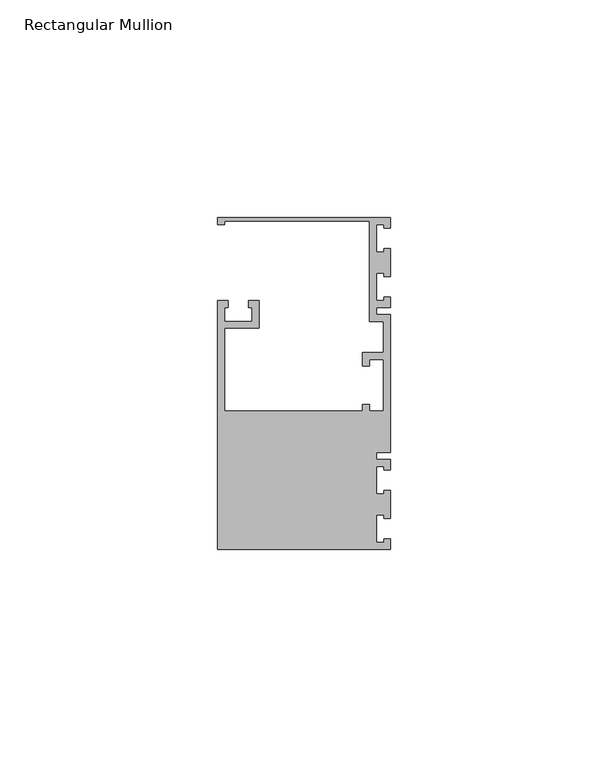
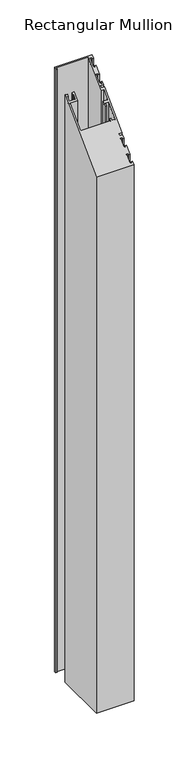
"""IFC4 building model written with IfcOpenShell, lengths in millimetres: member geometry, Rectangular Mullion."""

from ifc_helpers import new_model, si_unit, origin, place, context, project, spatial, faceted_brep, source, transform, mapped, element, save


def rectangular_mullion_a85c468c(model_context):
    return source(origin(), model_context, "Body", "Brep", [
        faceted_brep([(0.0, 38.1, -635.0), (0.0, 35.71875, -635.0), (-1.4999946, 35.71875, -635.0), (-1.4999946, 36.5125, -635.0), (-3.175, 36.5125, -635.0), (-3.175, 30.1625, -635.0), (-1.4999946, 30.1625, -635.0), (-1.4999946, 30.95625, -635.0), (0.0, 30.95625, -635.0), (0.0, 24.60625, -635.0), (-1.4999946, 24.60625, -635.0), (-1.4999946, 25.4, -635.0), (-3.175, 25.4, -635.0), (-3.175, 19.05, -635.0), (-1.4999946, 19.05, -635.0), (-1.4999946, 19.84375, -635.0), (0.0, 19.84375, -635.0), (0.0, 17.4625, -635.0), (-3.175, 17.4625, -635.0), (-3.175, 15.875, -635.0), (0.0, 15.875, -635.0), (0.0, -15.875, -635.0), (-3.175, -15.875, -635.0), (-3.175, -17.4625, -635.0), (0.0, -17.4625, -635.0), (0.0, -19.84375, -635.0), (-1.4999946, -19.84375, -635.0), (-1.4999946, -19.05, -635.0), (-3.175, -19.05, -635.0), (-3.175, -25.4, -635.0), (-1.4999946, -25.4, -635.0), (-1.4999946, -24.60625, -635.0), (0.0, -24.60625, -635.0), (0.0, -30.95625, -635.0), (-1.4999946, -30.95625, -635.0), (-1.4999946, -30.1625, -635.0), (-3.175, -30.1625, -635.0), (-3.175, -36.5125, -635.0), (-1.4999946, -36.5125, -635.0), (-1.4999946, -35.71875, -635.0), (0.0, -35.71875, -635.0), (0.0, -38.1, -635.0), (-39.6875, -38.1, -635.0), (-39.6875, 19.05, -635.0), (-37.30625, 19.05, -635.0), (-37.30625, 17.4625, -635.0), (-38.1, 17.4625, -635.0), (-38.1, 14.2875, -635.0), (-31.75, 14.2875, -635.0), (-31.75, 17.4625, -635.0), (-32.54375, 17.4625, -635.0), (-32.54375, 19.05, -635.0), (-30.1625, 19.05, -635.0), (-30.1625, 12.7, -635.0), (-38.1, 12.7, -635.0), (-38.1, -6.35, -635.0), (-6.35, -6.35, -635.0), (-6.35, -4.7625, -635.0), (-4.7625, -4.7625, -635.0), (-4.7625, -6.35, -635.0), (-1.5875, -6.35, -635.0), (-1.5875, 5.55625, -635.0), (-4.7625, 5.55625, -635.0), (-4.7625, 3.96875, -635.0), (-6.35, 3.96875, -635.0), (-6.35, 7.14375, -635.0), (-1.5875, 7.14375, -635.0), (-1.5875, 14.2875, -635.0), (-4.7625, 14.2875, -635.0), (-4.7625, 37.30625, -635.0), (-38.1, 37.30625, -635.0), (-38.1, 36.5125, -635.0), (-39.6875, 36.5125, -635.0), (-39.6875, 38.1, -635.0), (-39.6875, 38.1, 38.1), (0.0, 38.1, 38.1), (-39.6875, 36.5125, 36.5125), (-38.1, 36.5125, 36.5125), (-38.1, 37.30625, 37.30625), (-4.7625, 37.30625, 37.30625), (-4.7625, 14.2875, 14.2875), (-1.5875, 14.2875, 14.2875), (-1.5875, 7.14375, 7.14375), (-6.35, 7.14375, 7.14375), (-6.35, 3.96875, 3.96875), (-4.7625, 3.96875, 3.96875), (-4.7625, 5.55625, 5.55625), (-1.5875, 5.55625, 5.55625), (-1.5875, -6.35, -6.35), (-4.7625, -6.35, -6.35), (-4.7625, -4.7625, -4.7625), (-6.35, -4.7625, -4.7625), (-6.35, -6.35, -6.35), (-38.1, -6.35, -6.35), (-38.1, 12.7, 12.7), (-30.1625, 12.7, 12.7), (-30.1625, 19.05, 19.05), (-32.54375, 19.05, 19.05), (-32.54375, 17.4625, 17.4625), (-31.75, 17.4625, 17.4625), (-31.75, 14.2875, 14.2875), (-38.1, 14.2875, 14.2875), (-38.1, 17.4625, 17.4625), (-37.30625, 17.4625, 17.4625), (-37.30625, 19.05, 19.05), (-39.6875, 19.05, 19.05), (-39.6875, -38.1, -38.1), (0.0, -38.1, -38.1), (0.0, -35.71875, -35.71875), (-1.4999946, -35.71875, -35.71875), (-1.4999946, -36.5125, -36.5125), (-3.175, -36.5125, -36.5125), (-3.175, -30.1625, -30.1625), (-1.4999946, -30.1625, -30.1625), (-1.4999946, -30.95625, -30.95625), (0.0, -30.95625, -30.95625), (0.0, -24.60625, -24.60625), (-1.4999946, -24.60625, -24.60625), (-1.4999946, -25.4, -25.4), (-3.175, -25.4, -25.4), (-3.175, -19.05, -19.05), (-1.4999946, -19.05, -19.05), (-1.4999946, -19.84375, -19.84375), (0.0, -19.84375, -19.84375), (0.0, -17.4625, -17.4625), (-3.175, -17.4625, -17.4625), (-3.175, -15.875, -15.875), (0.0, -15.875, -15.875), (0.0, 15.875, 15.875), (-3.175, 15.875, 15.875), (-3.175, 17.4625, 17.4625), (0.0, 17.4625, 17.4625), (0.0, 19.84375, 19.84375), (-1.4999946, 19.84375, 19.84375), (-1.4999946, 19.05, 19.05), (-3.175, 19.05, 19.05), (-3.175, 25.4, 25.4), (-1.4999946, 25.4, 25.4), (-1.4999946, 24.60625, 24.60625), (0.0, 24.60625, 24.60625), (0.0, 30.95625, 30.95625), (-1.4999946, 30.95625, 30.95625), (-1.4999946, 30.1625, 30.1625), (-3.175, 30.1625, 30.1625), (-3.175, 36.5125, 36.5125), (-1.4999946, 36.5125, 36.5125), (-1.4999946, 35.71875, 35.71875), (0.0, 35.71875, 35.71875)], [[[0, 1, 2, 3, 4, 5, 6, 7, 8, 9, 10, 11, 12, 13, 14, 15, 16, 17, 18, 19, 20, 21, 22, 23, 24, 25, 26, 27, 28, 29, 30, 31, 32, 33, 34, 35, 36, 37, 38, 39, 40, 41, 42, 43, 44, 45, 46, 47, 48, 49, 50, 51, 52, 53, 54, 55, 56, 57, 58, 59, 60, 61, 62, 63, 64, 65, 66, 67, 68, 69, 70, 71, 72, 73]], [[74, 75, 0, 73]], [[76, 74, 73, 72]], [[77, 76, 72, 71]], [[78, 77, 71, 70]], [[79, 78, 70, 69]], [[80, 79, 69, 68]], [[81, 80, 68, 67]], [[82, 81, 67, 66]], [[83, 82, 66, 65]], [[84, 83, 65, 64]], [[85, 84, 64, 63]], [[86, 85, 63, 62]], [[87, 86, 62, 61]], [[88, 87, 61, 60]], [[89, 88, 60, 59]], [[90, 89, 59, 58]], [[91, 90, 58, 57]], [[92, 91, 57, 56]], [[93, 92, 56, 55]], [[94, 93, 55, 54]], [[95, 94, 54, 53]], [[96, 95, 53, 52]], [[97, 96, 52, 51]], [[98, 97, 51, 50]], [[99, 98, 50, 49]], [[100, 99, 49, 48]], [[101, 100, 48, 47]], [[102, 101, 47, 46]], [[103, 102, 46, 45]], [[104, 103, 45, 44]], [[105, 104, 44, 43]], [[106, 105, 43, 42]], [[107, 106, 42, 41]], [[108, 107, 41, 40]], [[109, 108, 40, 39]], [[110, 109, 39, 38]], [[111, 110, 38, 37]], [[112, 111, 37, 36]], [[113, 112, 36, 35]], [[114, 113, 35, 34]], [[115, 114, 34, 33]], [[116, 115, 33, 32]], [[117, 116, 32, 31]], [[118, 117, 31, 30]], [[119, 118, 30, 29]], [[120, 119, 29, 28]], [[121, 120, 28, 27]], [[122, 121, 27, 26]], [[123, 122, 26, 25]], [[124, 123, 25, 24]], [[125, 124, 24, 23]], [[126, 125, 23, 22]], [[127, 126, 22, 21]], [[128, 127, 21, 20]], [[129, 128, 20, 19]], [[130, 129, 19, 18]], [[131, 130, 18, 17]], [[132, 131, 17, 16]], [[133, 132, 16, 15]], [[134, 133, 15, 14]], [[135, 134, 14, 13]], [[136, 135, 13, 12]], [[137, 136, 12, 11]], [[138, 137, 11, 10]], [[139, 138, 10, 9]], [[140, 139, 9, 8]], [[141, 140, 8, 7]], [[142, 141, 7, 6]], [[143, 142, 6, 5]], [[144, 143, 5, 4]], [[145, 144, 4, 3]], [[146, 145, 3, 2]], [[147, 146, 2, 1]], [[75, 147, 1, 0]], [[75, 74, 76, 77, 78, 79, 80, 81, 82, 83, 84, 85, 86, 87, 88, 89, 90, 91, 92, 93, 94, 95, 96, 97, 98, 99, 100, 101, 102, 103, 104, 105, 106, 107, 108, 109, 110, 111, 112, 113, 114, 115, 116, 117, 118, 119, 120, 121, 122, 123, 124, 125, 126, 127, 128, 129, 130, 131, 132, 133, 134, 135, 136, 137, 138, 139, 140, 141, 142, 143, 144, 145, 146, 147]]]),
    ])


if __name__ == "__main__":
    model = new_model("IFC4")
    model_context = context("Model", 3, world=origin())
    ifc_project = project(units=[si_unit("LENGTHUNIT", "METRE", prefix="MILLI")], contexts=[model_context])
    site = spatial("IfcSite", under=ifc_project)
    building = spatial("IfcBuilding", under=site)
    placement = place(None, origin())
    rectangular_mullion_shape = rectangular_mullion_a85c468c(model_context)
    element("IfcMember", 1, ObjectType="Rectangular Mullion", at=placement, inside=building, context=model_context, shape_type="MappedRepresentation", body=[
        mapped(rectangular_mullion_shape, transform((0.0, 0.0, 0.0), x_axis=(1.0, 0.0, 0.0), y_axis=(0.0, 1.0, 0.0), z_axis=(0.0, 0.0, 1.0))),
    ])
    save(model, "model.ifc")
